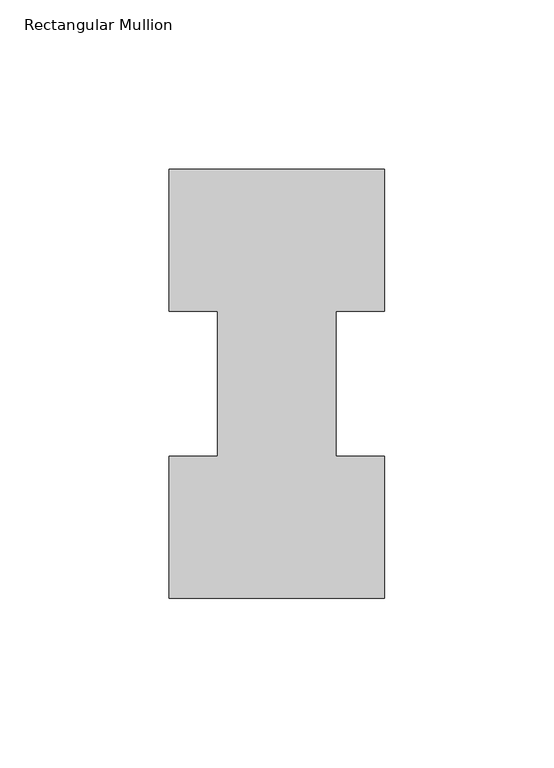
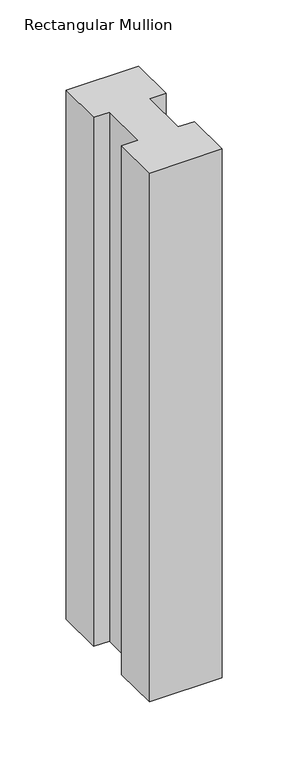
"""IFC4 building model written with IfcOpenShell, lengths in millimetres: member geometry, Rectangular Mullion."""

from ifc_helpers import new_model, si_unit, frame, origin, place, context, project, spatial, polyline, outline, extrude, source, transform, mapped, element, save


def rectangular_mullion_ccecfee3(model_context):
    return source(origin(), model_context, "Body", "SweptSolid", [
        extrude(outline(polyline([(-63.5, 0.26035), (-63.5, 42.08145), (-49.2125, 42.08145), (-49.2125, 84.93125), (-63.5, 84.93125), (-63.5, 126.75235), (0.0, 126.75235), (0.0, 84.93125), (-14.2748, 84.93125), (-14.2748, 42.08145), (0.0, 42.08145), (0.0, 0.26035), (-63.5, 0.26035)])), frame((0.0, 0.0, -489.0434633), z_axis=(0.0, 0.0, 1.0), x_axis=(1.0, 0.0, 0.0)), (0.0, 0.0, 1.0), 489.0434633),
    ])


if __name__ == "__main__":
    model = new_model("IFC4")
    model_context = context("Model", 3, world=origin())
    ifc_project = project(units=[si_unit("LENGTHUNIT", "METRE", prefix="MILLI")], contexts=[model_context])
    site = spatial("IfcSite", under=ifc_project)
    building = spatial("IfcBuilding", under=site)
    placement = place(None, origin())
    rectangular_mullion_shape = rectangular_mullion_ccecfee3(model_context)
    element("IfcMember", 1, ObjectType="Rectangular Mullion", at=placement, inside=building, context=model_context, shape_type="MappedRepresentation", body=[
        mapped(rectangular_mullion_shape, transform((0.0, 0.0, 0.0), x_axis=(1.0, 0.0, 0.0), y_axis=(0.0, 1.0, 0.0), z_axis=(0.0, 0.0, 1.0))),
    ])
    save(model, "model.ifc")
